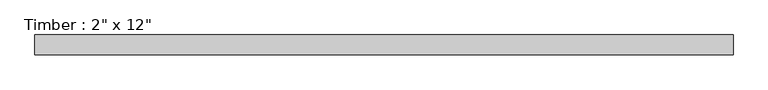
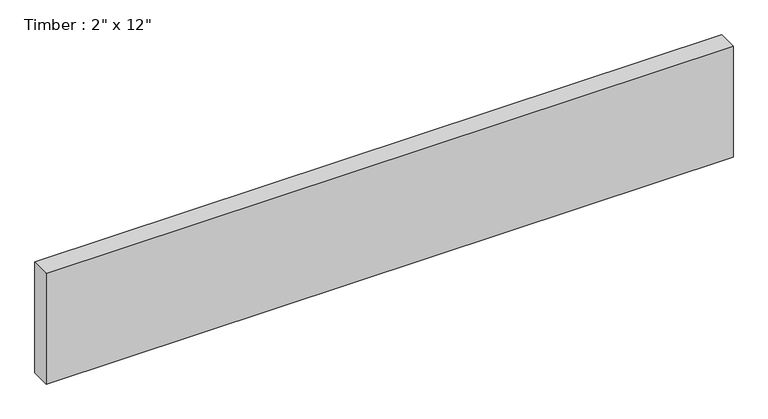
"""IFC4 building model written with IfcOpenShell, lengths in millimetres: beam geometry."""

import ifcopenshell
import ifcopenshell.guid

model = None  # the IFC model being written
_history = None  # IfcOwnerHistory: only IFC2X3 demands one
_inside = {}  # id of a spatial element -> (the spatial element, [elements in it])
_under = {}  # id of a project, library or spatial element -> (it, [spatial elements below it])
_declared = {}  # id of a project -> (the project, [libraries it declares])
_typed = {}  # id of a type object -> (the type object, [elements of that type])
_made_of = {}  # id of a material, layer set ... -> (it, [elements and type objects made of it])


def new_model(schema):
    """Start an empty IFC model of exactly this schema.

    Asked for "IFC4X3", IfcOpenShell would pick the latest addendum, in which some entities
    have other attributes; the version numbers below select the first issue.
    IFC2X3 requires an IfcOwnerHistory on every rooted entity: one is made here for all.
    """
    global model, _history
    if schema == "IFC4X3":
        model = ifcopenshell.file(schema_version=(4, 3, 0, 0))
    else:
        model = ifcopenshell.file(schema=schema)
    _inside.clear()
    _under.clear()
    _declared.clear()
    _typed.clear()
    _made_of.clear()
    _history = None
    if model.schema == "IFC2X3":
        org = make("IfcOrganization", Name="unknown")
        user = make(
            "IfcPersonAndOrganization",
            ThePerson=make("IfcPerson", FamilyName="unknown"),
            TheOrganization=org,
        )
        app = make(
            "IfcApplication",
            ApplicationDeveloper=org,
            Version="unknown",
            ApplicationFullName="unknown",
            ApplicationIdentifier="unknown",
        )
        _history = make(
            "IfcOwnerHistory",
            OwningUser=user,
            OwningApplication=app,
            ChangeAction="ADDED",
            CreationDate=0,
        )
    return model


def make(cls, **values):
    """One entity of the class cls with the attributes given. An attribute that is None is left unset."""
    return model.create_entity(
        cls, **{name: value for name, value in values.items() if value is not None}
    )


def rooted(cls, **values):
    """An entity with a GlobalId (a new one), such as an element, a storey or a relation."""
    return make(cls, GlobalId=ifcopenshell.guid.new(), OwnerHistory=_history, **values)


def si_unit(unit_type, name, prefix=None):
    """IfcSIUnit, for example si_unit("LENGTHUNIT", "METRE", prefix="MILLI")."""
    return make("IfcSIUnit", UnitType=unit_type, Prefix=prefix, Name=name)


def assignment(units):
    """IfcUnitAssignment: the units of a project."""
    return None if units is None else make("IfcUnitAssignment", Units=units)


def point(xyz):
    """IfcCartesianPoint."""
    return None if xyz is None else make("IfcCartesianPoint", Coordinates=xyz)


def direction(xyz):
    """IfcDirection."""
    return None if xyz is None else make("IfcDirection", DirectionRatios=xyz)


def frame(location, z_axis=None, x_axis=None):
    """IfcAxis2Placement3D, a coordinate frame: its origin and axes. An axis left out is left unset."""
    return make(
        "IfcAxis2Placement3D",
        Location=point(location),
        Axis=direction(z_axis),
        RefDirection=direction(x_axis),
    )


def origin():
    """The frame at (0, 0, 0) with its axes left unset."""
    return frame((0.0, 0.0, 0.0))


def place(relative_to, where):
    """IfcLocalPlacement: puts the frame where relative to a parent placement (None: the world)."""
    return make(
        "IfcLocalPlacement", PlacementRelTo=relative_to, RelativePlacement=where
    )


def context(
    kind, dimensions, precision=None, world=None, true_north=None, identifier=None
):
    """IfcGeometricRepresentationContext, for example the 3D "Model" context."""
    return make(
        "IfcGeometricRepresentationContext",
        ContextIdentifier=identifier,
        ContextType=kind,
        CoordinateSpaceDimension=dimensions,
        Precision=precision,
        WorldCoordinateSystem=world,
        TrueNorth=true_north,
    )


def project(units=None, contexts=None):
    """IfcProject with its units and contexts."""
    return rooted(
        "IfcProject",
        Name="project",
        RepresentationContexts=contexts,
        UnitsInContext=assignment(units),
    )


def spatial(cls, under=None, at=None, **own):
    """A site, building, storey or space (cls), placed at a placement, below another one or the project."""
    s = rooted(cls, ObjectPlacement=at, **own)
    if under is not None:
        _under.setdefault(under.id(), (under, []))[1].append(s)
    return s


def polyline(points):
    """IfcPolyline through the points."""
    return make("IfcPolyline", Points=[point(p) for p in points])


def outline(outer, holes=None, kind="AREA"):
    """IfcArbitraryClosedProfileDef: a profile drawn as a closed curve; with holes, ...WithVoids."""
    if holes is None:
        return make("IfcArbitraryClosedProfileDef", ProfileType=kind, OuterCurve=outer)
    return make(
        "IfcArbitraryProfileDefWithVoids",
        ProfileType=kind,
        OuterCurve=outer,
        InnerCurves=holes,
    )


def extrude(swept, where, along, depth):
    """IfcExtrudedAreaSolid: the profile swept, set in the frame where, extruded along a direction by depth."""
    return make(
        "IfcExtrudedAreaSolid",
        SweptArea=swept,
        Position=where,
        ExtrudedDirection=direction(along),
        Depth=depth,
    )


def shape(context_of_items, identifier, shape_type, items):
    """IfcShapeRepresentation: the items that make up one representation, for example the "Body"."""
    return make(
        "IfcShapeRepresentation",
        ContextOfItems=context_of_items,
        RepresentationIdentifier=identifier,
        RepresentationType=shape_type,
        Items=items,
    )


def source(mapping_origin, context_of_items, identifier, shape_type, items):
    """IfcRepresentationMap: a shape defined once, which mapped items show again and again."""
    return make(
        "IfcRepresentationMap",
        MappingOrigin=mapping_origin,
        MappedRepresentation=shape(context_of_items, identifier, shape_type, items),
    )


def transform(
    local_origin,
    x_axis=None,
    y_axis=None,
    z_axis=None,
    scale=None,
    scale2=None,
    scale3=None,
    uniform=True,
):
    """IfcCartesianTransformationOperator3D, or its non-uniform kind. x_axis, y_axis, z_axis: its Axis1, 2, 3."""
    if uniform:
        return make(
            "IfcCartesianTransformationOperator3D",
            Axis1=direction(x_axis),
            Axis2=direction(y_axis),
            LocalOrigin=point(local_origin),
            Scale=scale,
            Axis3=direction(z_axis),
        )
    return make(
        "IfcCartesianTransformationOperator3DnonUniform",
        Axis1=direction(x_axis),
        Axis2=direction(y_axis),
        LocalOrigin=point(local_origin),
        Scale=scale,
        Axis3=direction(z_axis),
        Scale2=scale2,
        Scale3=scale3,
    )


def mapped(mapping_source, mapping_target):
    """IfcMappedItem: shows the shape of a source again, moved by a transform."""
    return make(
        "IfcMappedItem", MappingSource=mapping_source, MappingTarget=mapping_target
    )


def made_of(thing, what):
    """Note that an element or type object is made of a material, layer set ...; save() writes the relation."""
    if what is not None:
        _made_of.setdefault(what.id(), (what, []))[1].append(thing)
    return thing


def element(
    cls,
    number,
    at=None,
    inside=None,
    cuts=None,
    type_object=None,
    material=None,
    context=None,
    identifier="Body",
    shape_type=None,
    held_by="IfcProductDefinitionShape",
    body=None,
    shapes=None,
    **own,
):
    """One element of the class cls, such as IfcWall. Its Tag is "e" and its number.

    at: its placement. inside: the storey or other place that contains it. cuts: it is an
    opening in that element (IfcRelVoidsElement). A single representation is given by context,
    identifier, shape_type and body (its items); several are given by shapes. held_by: the class
    of the entity that holds the representations. save() writes the other relations.
    """
    e = rooted(cls, Tag="e%d" % number, ObjectPlacement=at, **own)
    if body is not None:
        shapes = [shape(context, identifier, shape_type, body)]
    if shapes is not None:
        e.Representation = make(held_by, Representations=shapes)
    if inside is not None:
        _inside.setdefault(inside.id(), (inside, []))[1].append(e)
    if cuts is not None:
        rooted(
            "IfcRelVoidsElement", RelatingBuildingElement=cuts, RelatedOpeningElement=e
        )
    if type_object is not None:
        _typed.setdefault(type_object.id(), (type_object, []))[1].append(e)
    return made_of(e, material)


def aggregate(whole, parts):
    """IfcRelAggregates: a whole, such as a stair, and the parts it consists of."""
    return rooted("IfcRelAggregates", RelatingObject=whole, RelatedObjects=parts)


def save(model, path):
    """Write the relations noted so far, then the file.

    IfcRelAggregates (storeys below a building ...), IfcRelContainedInSpatialStructure (elements
    in a storey), IfcRelDefinesByType, IfcRelAssociatesMaterial and IfcRelDeclares: one each for
    every whole, place, type object, material and project.
    """
    for whole, parts in _under.values():
        aggregate(whole, parts)
    for where, things in _inside.values():
        rooted(
            "IfcRelContainedInSpatialStructure",
            RelatedElements=things,
            RelatingStructure=where,
        )
    for kind, things in _typed.values():
        rooted("IfcRelDefinesByType", RelatedObjects=things, RelatingType=kind)
    for what, things in _made_of.values():
        rooted("IfcRelAssociatesMaterial", RelatedObjects=things, RelatingMaterial=what)
    for by, libraries in _declared.values():
        rooted("IfcRelDeclares", RelatingContext=by, RelatedDefinitions=libraries)
    model.write(path)


def beam_58ab8636(model_context):
    return source(origin(), model_context, "Body", "SweptSolid", [
        extrude(outline(polyline([(892.1492208, 25.4), (892.1492208, -25.4), (-892.1492208, -25.4), (-892.1492208, 25.4), (892.1492208, 25.4)])), frame((0.0, 0.0, -152.4), z_axis=(0.0, 0.0, 1.0), x_axis=(1.0, 0.0, 0.0)), (0.0, 0.0, 1.0), 304.8),
    ])


if __name__ == "__main__":
    model = new_model("IFC4")
    model_context = context("Model", 3, world=origin())
    ifc_project = project(units=[si_unit("LENGTHUNIT", "METRE", prefix="MILLI")], contexts=[model_context])
    site = spatial("IfcSite", under=ifc_project)
    building = spatial("IfcBuilding", under=site)
    placement = place(None, origin())
    beam_shape = beam_58ab8636(model_context)
    element("IfcBeam", 1, ObjectType="Timber : 2\" x 12\"", at=placement, inside=building, context=model_context, shape_type="MappedRepresentation", body=[
        mapped(beam_shape, transform((0.0, 0.0, 0.0), x_axis=(1.0, 0.0, 0.0), y_axis=(0.0, 1.0, 0.0), z_axis=(0.0, 0.0, 1.0))),
    ])
    save(model, "model.ifc")
